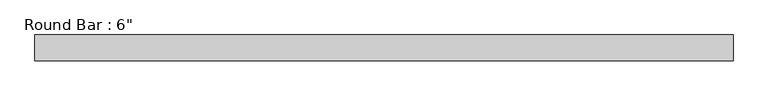
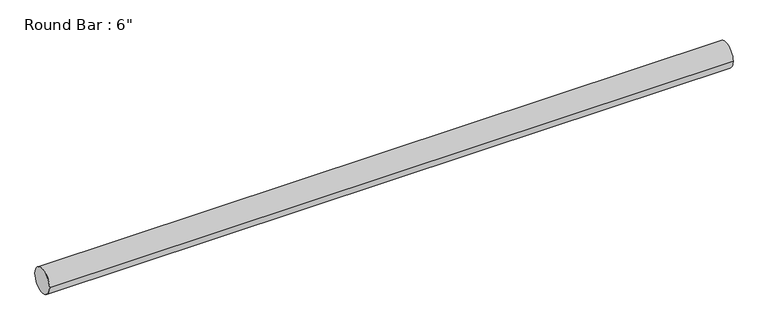
"""IFC4 building model written with IfcOpenShell, lengths in millimetres: beam geometry."""

import ifcopenshell
import ifcopenshell.guid

model = None  # the IFC model being written
_history = None  # IfcOwnerHistory: only IFC2X3 demands one
_inside = {}  # id of a spatial element -> (the spatial element, [elements in it])
_under = {}  # id of a project, library or spatial element -> (it, [spatial elements below it])
_declared = {}  # id of a project -> (the project, [libraries it declares])
_typed = {}  # id of a type object -> (the type object, [elements of that type])
_made_of = {}  # id of a material, layer set ... -> (it, [elements and type objects made of it])


def new_model(schema):
    """Start an empty IFC model of exactly this schema.

    Asked for "IFC4X3", IfcOpenShell would pick the latest addendum, in which some entities
    have other attributes; the version numbers below select the first issue.
    IFC2X3 requires an IfcOwnerHistory on every rooted entity: one is made here for all.
    """
    global model, _history
    if schema == "IFC4X3":
        model = ifcopenshell.file(schema_version=(4, 3, 0, 0))
    else:
        model = ifcopenshell.file(schema=schema)
    _inside.clear()
    _under.clear()
    _declared.clear()
    _typed.clear()
    _made_of.clear()
    _history = None
    if model.schema == "IFC2X3":
        org = make("IfcOrganization", Name="unknown")
        user = make(
            "IfcPersonAndOrganization",
            ThePerson=make("IfcPerson", FamilyName="unknown"),
            TheOrganization=org,
        )
        app = make(
            "IfcApplication",
            ApplicationDeveloper=org,
            Version="unknown",
            ApplicationFullName="unknown",
            ApplicationIdentifier="unknown",
        )
        _history = make(
            "IfcOwnerHistory",
            OwningUser=user,
            OwningApplication=app,
            ChangeAction="ADDED",
            CreationDate=0,
        )
    return model


def make(cls, **values):
    """One entity of the class cls with the attributes given. An attribute that is None is left unset."""
    return model.create_entity(
        cls, **{name: value for name, value in values.items() if value is not None}
    )


def rooted(cls, **values):
    """An entity with a GlobalId (a new one), such as an element, a storey or a relation."""
    return make(cls, GlobalId=ifcopenshell.guid.new(), OwnerHistory=_history, **values)


def si_unit(unit_type, name, prefix=None):
    """IfcSIUnit, for example si_unit("LENGTHUNIT", "METRE", prefix="MILLI")."""
    return make("IfcSIUnit", UnitType=unit_type, Prefix=prefix, Name=name)


def assignment(units):
    """IfcUnitAssignment: the units of a project."""
    return None if units is None else make("IfcUnitAssignment", Units=units)


def point(xyz):
    """IfcCartesianPoint."""
    return None if xyz is None else make("IfcCartesianPoint", Coordinates=xyz)


def direction(xyz):
    """IfcDirection."""
    return None if xyz is None else make("IfcDirection", DirectionRatios=xyz)


def frame(location, z_axis=None, x_axis=None):
    """IfcAxis2Placement3D, a coordinate frame: its origin and axes. An axis left out is left unset."""
    return make(
        "IfcAxis2Placement3D",
        Location=point(location),
        Axis=direction(z_axis),
        RefDirection=direction(x_axis),
    )


def frame_2d(location, x_axis=None):
    """IfcAxis2Placement2D, a coordinate frame in the plane: its origin and x axis."""
    return make(
        "IfcAxis2Placement2D", Location=point(location), RefDirection=direction(x_axis)
    )


def origin():
    """The frame at (0, 0, 0) with its axes left unset."""
    return frame((0.0, 0.0, 0.0))


def origin_2d():
    """The frame at (0, 0) in the plane with its x axis left unset."""
    return frame_2d((0.0, 0.0))


def place(relative_to, where):
    """IfcLocalPlacement: puts the frame where relative to a parent placement (None: the world)."""
    return make(
        "IfcLocalPlacement", PlacementRelTo=relative_to, RelativePlacement=where
    )


def context(
    kind, dimensions, precision=None, world=None, true_north=None, identifier=None
):
    """IfcGeometricRepresentationContext, for example the 3D "Model" context."""
    return make(
        "IfcGeometricRepresentationContext",
        ContextIdentifier=identifier,
        ContextType=kind,
        CoordinateSpaceDimension=dimensions,
        Precision=precision,
        WorldCoordinateSystem=world,
        TrueNorth=true_north,
    )


def project(units=None, contexts=None):
    """IfcProject with its units and contexts."""
    return rooted(
        "IfcProject",
        Name="project",
        RepresentationContexts=contexts,
        UnitsInContext=assignment(units),
    )


def spatial(cls, under=None, at=None, **own):
    """A site, building, storey or space (cls), placed at a placement, below another one or the project."""
    s = rooted(cls, ObjectPlacement=at, **own)
    if under is not None:
        _under.setdefault(under.id(), (under, []))[1].append(s)
    return s


def circle_curve(where, radius):
    """IfcCircle in the frame where."""
    return make("IfcCircle", Position=where, Radius=radius)


def trimmed(basis, trim1, trim2, sense, master):
    """IfcTrimmedCurve: the piece of a basis curve between two trims."""
    return make(
        "IfcTrimmedCurve",
        BasisCurve=basis,
        Trim1=trim1,
        Trim2=trim2,
        SenseAgreement=sense,
        MasterRepresentation=master,
    )


def segment(curve, same_sense, transition):
    """IfcCompositeCurveSegment."""
    return make(
        "IfcCompositeCurveSegment",
        Transition=transition,
        SameSense=same_sense,
        ParentCurve=curve,
    )


def composite_curve(segments, self_intersect=None):
    """IfcCompositeCurve: segments joined end to end."""
    return make("IfcCompositeCurve", Segments=segments, SelfIntersect=self_intersect)


def outline(outer, holes=None, kind="AREA"):
    """IfcArbitraryClosedProfileDef: a profile drawn as a closed curve; with holes, ...WithVoids."""
    if holes is None:
        return make("IfcArbitraryClosedProfileDef", ProfileType=kind, OuterCurve=outer)
    return make(
        "IfcArbitraryProfileDefWithVoids",
        ProfileType=kind,
        OuterCurve=outer,
        InnerCurves=holes,
    )


def extrude(swept, where, along, depth):
    """IfcExtrudedAreaSolid: the profile swept, set in the frame where, extruded along a direction by depth."""
    return make(
        "IfcExtrudedAreaSolid",
        SweptArea=swept,
        Position=where,
        ExtrudedDirection=direction(along),
        Depth=depth,
    )


def shape(context_of_items, identifier, shape_type, items):
    """IfcShapeRepresentation: the items that make up one representation, for example the "Body"."""
    return make(
        "IfcShapeRepresentation",
        ContextOfItems=context_of_items,
        RepresentationIdentifier=identifier,
        RepresentationType=shape_type,
        Items=items,
    )


def source(mapping_origin, context_of_items, identifier, shape_type, items):
    """IfcRepresentationMap: a shape defined once, which mapped items show again and again."""
    return make(
        "IfcRepresentationMap",
        MappingOrigin=mapping_origin,
        MappedRepresentation=shape(context_of_items, identifier, shape_type, items),
    )


def transform(
    local_origin,
    x_axis=None,
    y_axis=None,
    z_axis=None,
    scale=None,
    scale2=None,
    scale3=None,
    uniform=True,
):
    """IfcCartesianTransformationOperator3D, or its non-uniform kind. x_axis, y_axis, z_axis: its Axis1, 2, 3."""
    if uniform:
        return make(
            "IfcCartesianTransformationOperator3D",
            Axis1=direction(x_axis),
            Axis2=direction(y_axis),
            LocalOrigin=point(local_origin),
            Scale=scale,
            Axis3=direction(z_axis),
        )
    return make(
        "IfcCartesianTransformationOperator3DnonUniform",
        Axis1=direction(x_axis),
        Axis2=direction(y_axis),
        LocalOrigin=point(local_origin),
        Scale=scale,
        Axis3=direction(z_axis),
        Scale2=scale2,
        Scale3=scale3,
    )


def mapped(mapping_source, mapping_target):
    """IfcMappedItem: shows the shape of a source again, moved by a transform."""
    return make(
        "IfcMappedItem", MappingSource=mapping_source, MappingTarget=mapping_target
    )


def made_of(thing, what):
    """Note that an element or type object is made of a material, layer set ...; save() writes the relation."""
    if what is not None:
        _made_of.setdefault(what.id(), (what, []))[1].append(thing)
    return thing


def element(
    cls,
    number,
    at=None,
    inside=None,
    cuts=None,
    type_object=None,
    material=None,
    context=None,
    identifier="Body",
    shape_type=None,
    held_by="IfcProductDefinitionShape",
    body=None,
    shapes=None,
    **own,
):
    """One element of the class cls, such as IfcWall. Its Tag is "e" and its number.

    at: its placement. inside: the storey or other place that contains it. cuts: it is an
    opening in that element (IfcRelVoidsElement). A single representation is given by context,
    identifier, shape_type and body (its items); several are given by shapes. held_by: the class
    of the entity that holds the representations. save() writes the other relations.
    """
    e = rooted(cls, Tag="e%d" % number, ObjectPlacement=at, **own)
    if body is not None:
        shapes = [shape(context, identifier, shape_type, body)]
    if shapes is not None:
        e.Representation = make(held_by, Representations=shapes)
    if inside is not None:
        _inside.setdefault(inside.id(), (inside, []))[1].append(e)
    if cuts is not None:
        rooted(
            "IfcRelVoidsElement", RelatingBuildingElement=cuts, RelatedOpeningElement=e
        )
    if type_object is not None:
        _typed.setdefault(type_object.id(), (type_object, []))[1].append(e)
    return made_of(e, material)


def aggregate(whole, parts):
    """IfcRelAggregates: a whole, such as a stair, and the parts it consists of."""
    return rooted("IfcRelAggregates", RelatingObject=whole, RelatedObjects=parts)


def save(model, path):
    """Write the relations noted so far, then the file.

    IfcRelAggregates (storeys below a building ...), IfcRelContainedInSpatialStructure (elements
    in a storey), IfcRelDefinesByType, IfcRelAssociatesMaterial and IfcRelDeclares: one each for
    every whole, place, type object, material and project.
    """
    for whole, parts in _under.values():
        aggregate(whole, parts)
    for where, things in _inside.values():
        rooted(
            "IfcRelContainedInSpatialStructure",
            RelatedElements=things,
            RelatingStructure=where,
        )
    for kind, things in _typed.values():
        rooted("IfcRelDefinesByType", RelatedObjects=things, RelatingType=kind)
    for what, things in _made_of.values():
        rooted("IfcRelAssociatesMaterial", RelatedObjects=things, RelatingMaterial=what)
    for by, libraries in _declared.values():
        rooted("IfcRelDeclares", RelatingContext=by, RelatedDefinitions=libraries)
    model.write(path)


def beam_938f86dc(model_context):
    return source(origin(), model_context, "Body", "SweptSolid", [
        extrude(outline(composite_curve([segment(trimmed(circle_curve(origin_2d(), 76.2), [point((76.2, 0.0))], [point((-76.2, 0.0))], False, "CARTESIAN"), True, "CONTINUOUS"), segment(trimmed(circle_curve(origin_2d(), 76.2), [point((-76.2, 0.0))], [point((76.2, 0.0))], False, "CARTESIAN"), True, "CONTINUOUS")], self_intersect=False)), frame((-2065.2880792, 0.0, 0.0), z_axis=(1.0, 0.0, 0.0), x_axis=(0.0, 1.0, 0.0)), (0.0, 0.0, 1.0), 4115.8164103),
    ])


if __name__ == "__main__":
    model = new_model("IFC4")
    model_context = context("Model", 3, world=origin())
    ifc_project = project(units=[si_unit("LENGTHUNIT", "METRE", prefix="MILLI")], contexts=[model_context])
    site = spatial("IfcSite", under=ifc_project)
    building = spatial("IfcBuilding", under=site)
    placement = place(None, origin())
    beam_shape = beam_938f86dc(model_context)
    element("IfcBeam", 1, ObjectType="Round Bar : 6\"", at=placement, inside=building, context=model_context, shape_type="MappedRepresentation", body=[
        mapped(beam_shape, transform((0.0, 0.0, 0.0), x_axis=(1.0, 0.0, 0.0), y_axis=(0.0, 1.0, 0.0), z_axis=(0.0, 0.0, 1.0))),
    ])
    save(model, "model.ifc")
